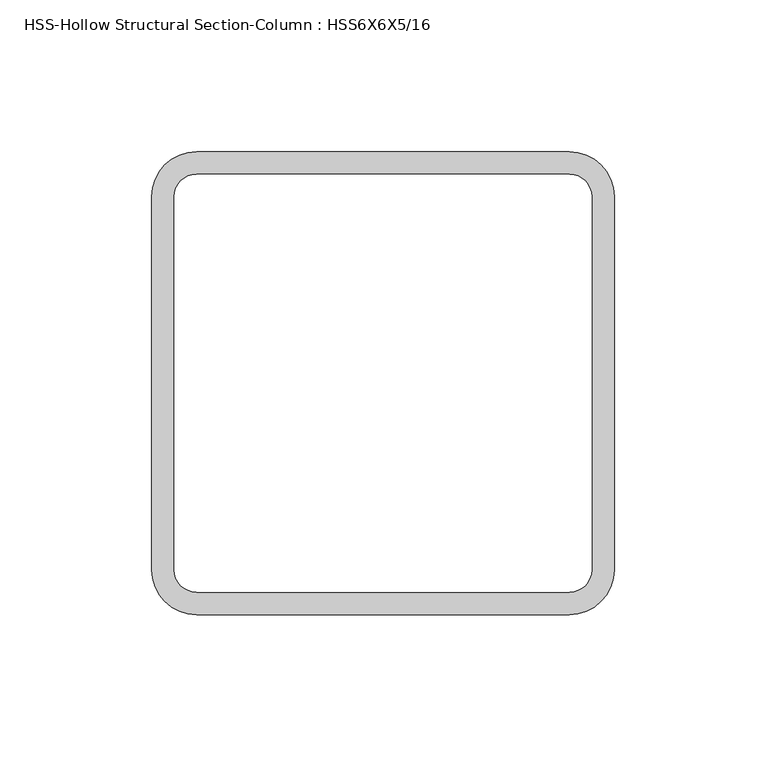
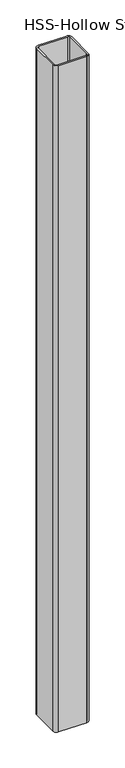
"""IFC4 building model written with IfcOpenShell, lengths in millimetres: column geometry, HSS-Hollow Structural Section-Column : HSS6X6X5/16."""

from ifc_helpers import new_model, si_unit, point, frame_2d, origin, origin_with_axes, place, context, project, spatial, polyline, circle_curve, trimmed, segment, composite_curve, outline, extrude, source, transform, mapped, element, save


def hss_hollow_structural_section_column_hss6x6x5_16_4356b65f(model_context):
    return source(origin(), model_context, "Body", "SweptSolid", [
        extrude(outline(composite_curve([segment(trimmed(circle_curve(frame_2d((61.4172, 61.4172)), 14.7828), [point((61.4172, 76.2))], [point((76.2, 61.4172))], False, "CARTESIAN"), True, "CONTINUOUS"), segment(polyline([(76.2, 61.4172), (76.2, -61.4172)]), True, "CONTINUOUS"), segment(trimmed(circle_curve(frame_2d((61.4172, -61.4172)), 14.7828), [point((76.2, -61.4172))], [point((61.4172, -76.2))], False, "CARTESIAN"), True, "CONTINUOUS"), segment(polyline([(61.4172, -76.2), (-61.4172, -76.2)]), True, "CONTINUOUS"), segment(trimmed(circle_curve(frame_2d((-61.4172, -61.4172)), 14.7828), [point((-61.4172, -76.2))], [point((-76.2, -61.4172))], False, "CARTESIAN"), True, "CONTINUOUS"), segment(polyline([(-76.2, -61.4172), (-76.2, 61.4172)]), True, "CONTINUOUS"), segment(trimmed(circle_curve(frame_2d((-61.4172, 61.4172)), 14.7828), [point((-76.2, 61.4172))], [point((-61.4172, 76.2))], False, "CARTESIAN"), True, "CONTINUOUS"), segment(polyline([(-61.4172, 76.2), (61.4172, 76.2)]), True, "CONTINUOUS")], self_intersect=False), holes=[composite_curve([segment(polyline([(61.4172, 68.8086), (-61.4172, 68.8086)]), True, "CONTINUOUS"), segment(trimmed(circle_curve(frame_2d((-61.4172, 61.4172)), 7.3914), [point((-61.4172, 68.8086))], [point((-68.8086, 61.4172))], True, "CARTESIAN"), True, "CONTINUOUS"), segment(polyline([(-68.8086, 61.4172), (-68.8086, -61.4172)]), True, "CONTINUOUS"), segment(trimmed(circle_curve(frame_2d((-61.4172, -61.4172)), 7.3914), [point((-68.8086, -61.4172))], [point((-61.4172, -68.8086))], True, "CARTESIAN"), True, "CONTINUOUS"), segment(polyline([(-61.4172, -68.8086), (61.4172, -68.8086)]), True, "CONTINUOUS"), segment(trimmed(circle_curve(frame_2d((61.4172, -61.4172)), 7.3914), [point((61.4172, -68.8086))], [point((68.8086, -61.4172))], True, "CARTESIAN"), True, "CONTINUOUS"), segment(polyline([(68.8086, -61.4172), (68.8086, 61.4172)]), True, "CONTINUOUS"), segment(trimmed(circle_curve(frame_2d((61.4172, 61.4172)), 7.3914), [point((68.8086, 61.4172))], [point((61.4172, 68.8086))], True, "CARTESIAN"), True, "CONTINUOUS")], self_intersect=False)]), origin_with_axes(), (0.0, 0.0, 1.0), 3048.0),
    ])


if __name__ == "__main__":
    model = new_model("IFC4")
    model_context = context("Model", 3, world=origin())
    ifc_project = project(units=[si_unit("LENGTHUNIT", "METRE", prefix="MILLI")], contexts=[model_context])
    site = spatial("IfcSite", under=ifc_project)
    building = spatial("IfcBuilding", under=site)
    placement = place(None, origin())
    hss_hollow_structural_section_column_hss6x6x5_16_shape = hss_hollow_structural_section_column_hss6x6x5_16_4356b65f(model_context)
    element("IfcColumn", 1, ObjectType="HSS-Hollow Structural Section-Column : HSS6X6X5/16", at=placement, inside=building, context=model_context, shape_type="MappedRepresentation", body=[
        mapped(hss_hollow_structural_section_column_hss6x6x5_16_shape, transform((0.0, 0.0, 0.0), x_axis=(1.0, 0.0, 0.0), y_axis=(0.0, 1.0, 0.0), z_axis=(0.0, 0.0, 1.0))),
    ])
    save(model, "model.ifc")
